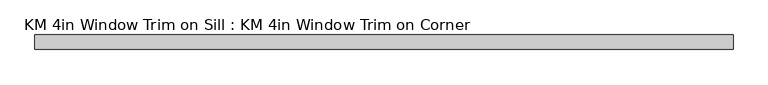
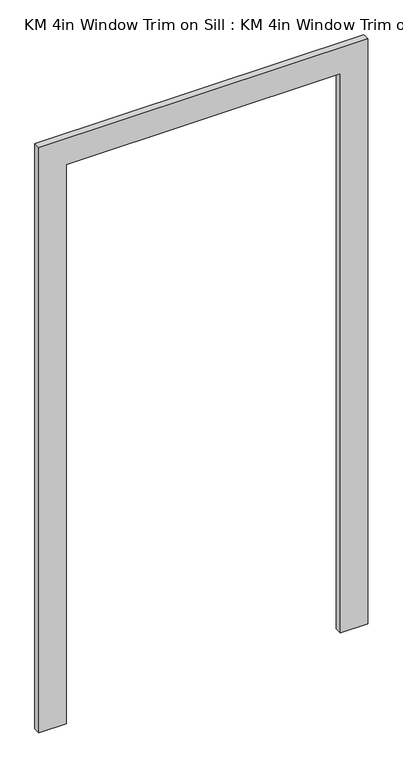
"""IFC4 building model written with IfcOpenShell, lengths in millimetres: proxy geometry, KM 4in Window Trim on Sill : KM 4in Window Trim on Corner."""

import ifcopenshell
import ifcopenshell.guid

model = None  # the IFC model being written
_history = None  # IfcOwnerHistory: only IFC2X3 demands one
_inside = {}  # id of a spatial element -> (the spatial element, [elements in it])
_under = {}  # id of a project, library or spatial element -> (it, [spatial elements below it])
_declared = {}  # id of a project -> (the project, [libraries it declares])
_typed = {}  # id of a type object -> (the type object, [elements of that type])
_made_of = {}  # id of a material, layer set ... -> (it, [elements and type objects made of it])


def new_model(schema):
    """Start an empty IFC model of exactly this schema.

    Asked for "IFC4X3", IfcOpenShell would pick the latest addendum, in which some entities
    have other attributes; the version numbers below select the first issue.
    IFC2X3 requires an IfcOwnerHistory on every rooted entity: one is made here for all.
    """
    global model, _history
    if schema == "IFC4X3":
        model = ifcopenshell.file(schema_version=(4, 3, 0, 0))
    else:
        model = ifcopenshell.file(schema=schema)
    _inside.clear()
    _under.clear()
    _declared.clear()
    _typed.clear()
    _made_of.clear()
    _history = None
    if model.schema == "IFC2X3":
        org = make("IfcOrganization", Name="unknown")
        user = make(
            "IfcPersonAndOrganization",
            ThePerson=make("IfcPerson", FamilyName="unknown"),
            TheOrganization=org,
        )
        app = make(
            "IfcApplication",
            ApplicationDeveloper=org,
            Version="unknown",
            ApplicationFullName="unknown",
            ApplicationIdentifier="unknown",
        )
        _history = make(
            "IfcOwnerHistory",
            OwningUser=user,
            OwningApplication=app,
            ChangeAction="ADDED",
            CreationDate=0,
        )
    return model


def make(cls, **values):
    """One entity of the class cls with the attributes given. An attribute that is None is left unset."""
    return model.create_entity(
        cls, **{name: value for name, value in values.items() if value is not None}
    )


def rooted(cls, **values):
    """An entity with a GlobalId (a new one), such as an element, a storey or a relation."""
    return make(cls, GlobalId=ifcopenshell.guid.new(), OwnerHistory=_history, **values)


def si_unit(unit_type, name, prefix=None):
    """IfcSIUnit, for example si_unit("LENGTHUNIT", "METRE", prefix="MILLI")."""
    return make("IfcSIUnit", UnitType=unit_type, Prefix=prefix, Name=name)


def assignment(units):
    """IfcUnitAssignment: the units of a project."""
    return None if units is None else make("IfcUnitAssignment", Units=units)


def point(xyz):
    """IfcCartesianPoint."""
    return None if xyz is None else make("IfcCartesianPoint", Coordinates=xyz)


def direction(xyz):
    """IfcDirection."""
    return None if xyz is None else make("IfcDirection", DirectionRatios=xyz)


def frame(location, z_axis=None, x_axis=None):
    """IfcAxis2Placement3D, a coordinate frame: its origin and axes. An axis left out is left unset."""
    return make(
        "IfcAxis2Placement3D",
        Location=point(location),
        Axis=direction(z_axis),
        RefDirection=direction(x_axis),
    )


def origin():
    """The frame at (0, 0, 0) with its axes left unset."""
    return frame((0.0, 0.0, 0.0))


def place(relative_to, where):
    """IfcLocalPlacement: puts the frame where relative to a parent placement (None: the world)."""
    return make(
        "IfcLocalPlacement", PlacementRelTo=relative_to, RelativePlacement=where
    )


def context(
    kind, dimensions, precision=None, world=None, true_north=None, identifier=None
):
    """IfcGeometricRepresentationContext, for example the 3D "Model" context."""
    return make(
        "IfcGeometricRepresentationContext",
        ContextIdentifier=identifier,
        ContextType=kind,
        CoordinateSpaceDimension=dimensions,
        Precision=precision,
        WorldCoordinateSystem=world,
        TrueNorth=true_north,
    )


def project(units=None, contexts=None):
    """IfcProject with its units and contexts."""
    return rooted(
        "IfcProject",
        Name="project",
        RepresentationContexts=contexts,
        UnitsInContext=assignment(units),
    )


def spatial(cls, under=None, at=None, **own):
    """A site, building, storey or space (cls), placed at a placement, below another one or the project."""
    s = rooted(cls, ObjectPlacement=at, **own)
    if under is not None:
        _under.setdefault(under.id(), (under, []))[1].append(s)
    return s


def polyline(points):
    """IfcPolyline through the points."""
    return make("IfcPolyline", Points=[point(p) for p in points])


def outline(outer, holes=None, kind="AREA"):
    """IfcArbitraryClosedProfileDef: a profile drawn as a closed curve; with holes, ...WithVoids."""
    if holes is None:
        return make("IfcArbitraryClosedProfileDef", ProfileType=kind, OuterCurve=outer)
    return make(
        "IfcArbitraryProfileDefWithVoids",
        ProfileType=kind,
        OuterCurve=outer,
        InnerCurves=holes,
    )


def extrude(swept, where, along, depth):
    """IfcExtrudedAreaSolid: the profile swept, set in the frame where, extruded along a direction by depth."""
    return make(
        "IfcExtrudedAreaSolid",
        SweptArea=swept,
        Position=where,
        ExtrudedDirection=direction(along),
        Depth=depth,
    )


def shape(context_of_items, identifier, shape_type, items):
    """IfcShapeRepresentation: the items that make up one representation, for example the "Body"."""
    return make(
        "IfcShapeRepresentation",
        ContextOfItems=context_of_items,
        RepresentationIdentifier=identifier,
        RepresentationType=shape_type,
        Items=items,
    )


def source(mapping_origin, context_of_items, identifier, shape_type, items):
    """IfcRepresentationMap: a shape defined once, which mapped items show again and again."""
    return make(
        "IfcRepresentationMap",
        MappingOrigin=mapping_origin,
        MappedRepresentation=shape(context_of_items, identifier, shape_type, items),
    )


def transform(
    local_origin,
    x_axis=None,
    y_axis=None,
    z_axis=None,
    scale=None,
    scale2=None,
    scale3=None,
    uniform=True,
):
    """IfcCartesianTransformationOperator3D, or its non-uniform kind. x_axis, y_axis, z_axis: its Axis1, 2, 3."""
    if uniform:
        return make(
            "IfcCartesianTransformationOperator3D",
            Axis1=direction(x_axis),
            Axis2=direction(y_axis),
            LocalOrigin=point(local_origin),
            Scale=scale,
            Axis3=direction(z_axis),
        )
    return make(
        "IfcCartesianTransformationOperator3DnonUniform",
        Axis1=direction(x_axis),
        Axis2=direction(y_axis),
        LocalOrigin=point(local_origin),
        Scale=scale,
        Axis3=direction(z_axis),
        Scale2=scale2,
        Scale3=scale3,
    )


def mapped(mapping_source, mapping_target):
    """IfcMappedItem: shows the shape of a source again, moved by a transform."""
    return make(
        "IfcMappedItem", MappingSource=mapping_source, MappingTarget=mapping_target
    )


def made_of(thing, what):
    """Note that an element or type object is made of a material, layer set ...; save() writes the relation."""
    if what is not None:
        _made_of.setdefault(what.id(), (what, []))[1].append(thing)
    return thing


def element(
    cls,
    number,
    at=None,
    inside=None,
    cuts=None,
    type_object=None,
    material=None,
    context=None,
    identifier="Body",
    shape_type=None,
    held_by="IfcProductDefinitionShape",
    body=None,
    shapes=None,
    **own,
):
    """One element of the class cls, such as IfcWall. Its Tag is "e" and its number.

    at: its placement. inside: the storey or other place that contains it. cuts: it is an
    opening in that element (IfcRelVoidsElement). A single representation is given by context,
    identifier, shape_type and body (its items); several are given by shapes. held_by: the class
    of the entity that holds the representations. save() writes the other relations.
    """
    e = rooted(cls, Tag="e%d" % number, ObjectPlacement=at, **own)
    if body is not None:
        shapes = [shape(context, identifier, shape_type, body)]
    if shapes is not None:
        e.Representation = make(held_by, Representations=shapes)
    if inside is not None:
        _inside.setdefault(inside.id(), (inside, []))[1].append(e)
    if cuts is not None:
        rooted(
            "IfcRelVoidsElement", RelatingBuildingElement=cuts, RelatedOpeningElement=e
        )
    if type_object is not None:
        _typed.setdefault(type_object.id(), (type_object, []))[1].append(e)
    return made_of(e, material)


def aggregate(whole, parts):
    """IfcRelAggregates: a whole, such as a stair, and the parts it consists of."""
    return rooted("IfcRelAggregates", RelatingObject=whole, RelatedObjects=parts)


def save(model, path):
    """Write the relations noted so far, then the file.

    IfcRelAggregates (storeys below a building ...), IfcRelContainedInSpatialStructure (elements
    in a storey), IfcRelDefinesByType, IfcRelAssociatesMaterial and IfcRelDeclares: one each for
    every whole, place, type object, material and project.
    """
    for whole, parts in _under.values():
        aggregate(whole, parts)
    for where, things in _inside.values():
        rooted(
            "IfcRelContainedInSpatialStructure",
            RelatedElements=things,
            RelatingStructure=where,
        )
    for kind, things in _typed.values():
        rooted("IfcRelDefinesByType", RelatedObjects=things, RelatingType=kind)
    for what, things in _made_of.values():
        rooted("IfcRelAssociatesMaterial", RelatedObjects=things, RelatingMaterial=what)
    for by, libraries in _declared.values():
        rooted("IfcRelDeclares", RelatingContext=by, RelatedDefinitions=libraries)
    model.write(path)


def km_4in_window_trim_on_sill_km_4in_window_trim_on_corner_6a9ddb72(model_context):
    return source(origin(), model_context, "Body", "SweptSolid", [
        extrude(outline(polyline([(3107.4944226, 508.0), (914.4, 508.0), (914.4, 609.6), (3209.0944226, 609.6), (3209.0944226, -609.6), (914.4, -609.6), (914.4, -508.0), (3107.4944226, -508.0), (3107.4944226, 508.0)])), frame((0.0, 50.8, 0.0), z_axis=(0.0, 1.0, 0.0), x_axis=(0.0, 0.0, 1.0)), (0.0, 0.0, 1.0), 25.4),
    ])


if __name__ == "__main__":
    model = new_model("IFC4")
    model_context = context("Model", 3, world=origin())
    ifc_project = project(units=[si_unit("LENGTHUNIT", "METRE", prefix="MILLI")], contexts=[model_context])
    site = spatial("IfcSite", under=ifc_project)
    building = spatial("IfcBuilding", under=site)
    placement = place(None, origin())
    km_4in_window_trim_on_sill_km_4in_window_trim_on_corner_shape = km_4in_window_trim_on_sill_km_4in_window_trim_on_corner_6a9ddb72(model_context)
    element("IfcBuildingElementProxy", 1, Name="KM 4in Window Trim on Sill : KM 4in Window Trim on Corner", ObjectType="KM 4in Window Trim on Sill : KM 4in Window Trim on Corner", at=placement, inside=building, context=model_context, shape_type="MappedRepresentation", body=[
        mapped(km_4in_window_trim_on_sill_km_4in_window_trim_on_corner_shape, transform((0.0, 0.0, 0.0), x_axis=(1.0, 0.0, 0.0), y_axis=(0.0, 1.0, 0.0), z_axis=(0.0, 0.0, 1.0))),
    ])
    save(model, "model.ifc")
